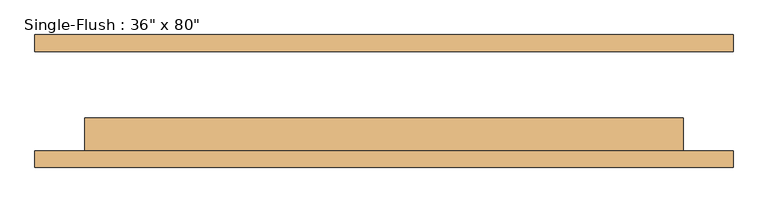
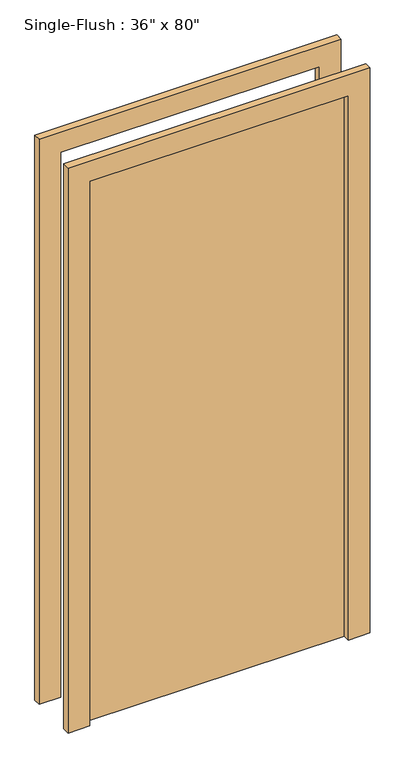
"""IFC4 building model written with IfcOpenShell, lengths in millimetres: door geometry."""

from ifc_helpers import new_model, si_unit, frame, origin, origin_with_axes, place, context, project, spatial, polyline, outline, extrude, source, transform, mapped, element, save


def door_2b0b55a0(model_context):
    return source(origin(), model_context, "Body", "SweptSolid", [
        extrude(outline(polyline([(2108.2, -533.4), (0.0, -533.4), (0.0, -457.2), (2032.0, -457.2), (2032.0, 457.2), (0.0, 457.2), (0.0, 533.4), (2108.2, 533.4), (2108.2, -533.4)])), frame((0.0, -101.6, 0.0), z_axis=(0.0, 1.0, 0.0), x_axis=(0.0, 0.0, 1.0)), (0.0, 0.0, 1.0), 25.4),
        extrude(outline(polyline([(2108.2, 533.4), (2108.2, -533.4), (0.0, -533.4), (0.0, -457.2), (2032.0, -457.2), (2032.0, 457.2), (0.0, 457.2), (0.0, 533.4), (2108.2, 533.4)])), frame((0.0, 76.2, 0.0), z_axis=(0.0, 1.0, 0.0), x_axis=(0.0, 0.0, 1.0)), (0.0, 0.0, 1.0), 25.4),
        extrude(outline(polyline([(457.2, -25.4), (457.2, -76.2), (-457.2, -76.2), (-457.2, -25.4), (457.2, -25.4)])), origin_with_axes(), (0.0, 0.0, 1.0), 2032.0),
    ])


if __name__ == "__main__":
    model = new_model("IFC4")
    model_context = context("Model", 3, world=origin())
    ifc_project = project(units=[si_unit("LENGTHUNIT", "METRE", prefix="MILLI")], contexts=[model_context])
    site = spatial("IfcSite", under=ifc_project)
    building = spatial("IfcBuilding", under=site)
    placement = place(None, origin())
    door_shape = door_2b0b55a0(model_context)
    element("IfcDoor", 1, ObjectType="Single-Flush : 36\" x 80\"", at=placement, inside=building, context=model_context, shape_type="MappedRepresentation", body=[
        mapped(door_shape, transform((0.0, 0.0, 0.0), x_axis=(1.0, 0.0, 0.0), y_axis=(0.0, 1.0, 0.0), z_axis=(0.0, 0.0, 1.0))),
    ])
    save(model, "model.ifc")
